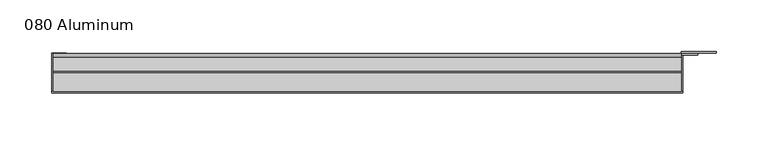
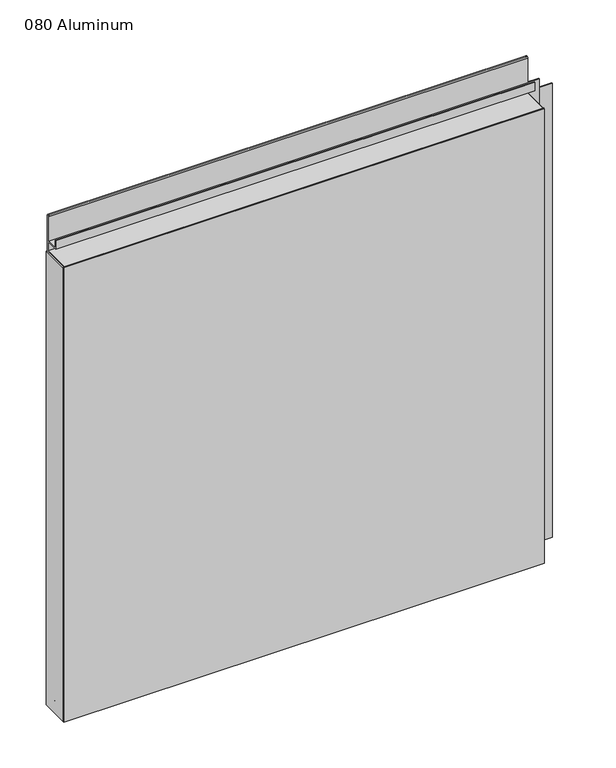
"""IFC4 building model written with IfcOpenShell, lengths in millimetres: plate geometry, 080 Aluminum."""

from ifc_helpers import new_model, si_unit, point, frame, frame_2d, origin, origin_with_axes, place, context, project, spatial, polyline, circle_curve, trimmed, segment, composite_curve, outline, extrude, source, transform, mapped, element, save


def plate_080_aluminum_7061f4fd(model_context):
    return source(origin(), model_context, "Body", "SweptSolid", [
        extrude(outline(polyline([(-309.88, -2.5660257), (-309.88, -38.7300001), (-311.1499999, -38.7300001), (-311.1499999, -1.2699999), (-296.9894994, -1.2699999), (-296.9894994, -2.5660257), (-309.88, -2.5660257)])), origin_with_axes(), (0.0, 0.0, 1.0), 608.33),
        extrude(outline(composite_curve([segment(polyline([(-16.6765477, 13.1458337), (-16.6765477, 2.786437), (-17.9464915, 2.786437), (-17.9464915, 13.1323356)]), True, "CONTINUOUS"), segment(trimmed(circle_curve(frame_2d((-19.8514743, 13.124237)), 1.905), [point((-17.9464915, 13.1323356))], [point((-21.7564743, 13.124237))], True, "CARTESIAN"), True, "CONTINUOUS"), segment(polyline([(-21.7564743, 13.124237), (-21.7564743, 0.0), (-38.7300002, 0.0), (-38.7300002, 1.2693678), (-23.0264743, 1.2693678), (-23.0264743, 13.124237)]), True, "CONTINUOUS"), segment(trimmed(circle_curve(frame_2d((-19.8514743, 13.124237)), 3.175), [point((-23.0264743, 13.124237))], [point((-16.6765477, 13.1458337))], False, "CARTESIAN"), True, "CONTINUOUS")], self_intersect=False)), frame((-309.88, 0.0, 0.0), z_axis=(1.0, 0.0, 0.0), x_axis=(0.0, 1.0, 0.0)), (0.0, 0.0, 1.0), 607.06),
        extrude(outline(composite_curve([segment(polyline([(-2.0574743, 656.7932001), (-2.0574743, 608.33), (-38.7300002, 608.33), (-38.7300002, 609.6000001), (-3.3274743, 609.6000001), (-3.3274743, 656.7932001)]), True, "CONTINUOUS"), segment(trimmed(circle_curve(frame_2d((-3.7084742, 656.7932001)), 0.3809999), [point((-3.3274743, 656.7932001))], [point((-4.0894742, 656.7932001))], True, "CARTESIAN"), True, "CONTINUOUS"), segment(polyline([(-4.0894742, 656.7932001), (-4.0894742, 622.3), (-20.4864742, 622.3), (-20.4864742, 633.6538), (-19.2164743, 633.6538), (-19.2164743, 623.57), (-5.3594742, 623.57), (-5.3594742, 656.7932001)]), True, "CONTINUOUS"), segment(trimmed(circle_curve(frame_2d((-3.7084742, 656.7932001)), 1.6509999), [point((-5.3594742, 656.7932001))], [point((-2.0574743, 656.7932001))], False, "CARTESIAN"), True, "CONTINUOUS")], self_intersect=False)), frame((-309.88, 0.0, 0.0), z_axis=(1.0, 0.0, 0.0), x_axis=(0.0, 1.0, 0.0)), (0.0, 0.0, 1.0), 607.06),
        extrude(outline(polyline([(-311.15, -40.0), (-311.15, -38.7300001), (298.45, -38.7300001), (298.45, -40.0), (-311.15, -40.0)])), origin_with_axes(), (0.0, 0.0, 1.0), 609.6),
        extrude(outline(polyline([(298.45, -1.2699999), (298.45, -38.7300002), (297.1800001, -38.7300002), (297.1800001, 0.0), (330.9620856, 0.0), (330.9620856, -1.2699999), (298.45, -1.2699999)])), origin_with_axes(), (0.0, 0.0, 1.0), 608.33),
        extrude(outline(polyline([(297.18, -3.3274743), (297.18, -2.0574743), (312.9279999, -2.0574743), (312.9279999, -3.3274743), (297.18, -3.3274743)])), origin_with_axes(), (0.0, 0.0, 1.0), 622.3),
    ])


if __name__ == "__main__":
    model = new_model("IFC4")
    model_context = context("Model", 3, world=origin())
    ifc_project = project(units=[si_unit("LENGTHUNIT", "METRE", prefix="MILLI")], contexts=[model_context])
    site = spatial("IfcSite", under=ifc_project)
    building = spatial("IfcBuilding", under=site)
    placement = place(None, origin())
    plate_080_aluminum_shape = plate_080_aluminum_7061f4fd(model_context)
    element("IfcPlate", 1, ObjectType="080 Aluminum", at=placement, inside=building, context=model_context, shape_type="MappedRepresentation", body=[
        mapped(plate_080_aluminum_shape, transform((0.0, 0.0, 0.0), x_axis=(1.0, 0.0, 0.0), y_axis=(0.0, 1.0, 0.0), z_axis=(0.0, 0.0, 1.0))),
    ])
    save(model, "model.ifc")
